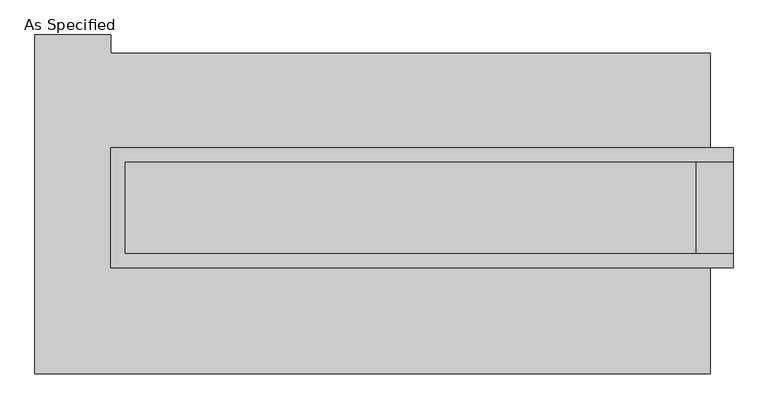
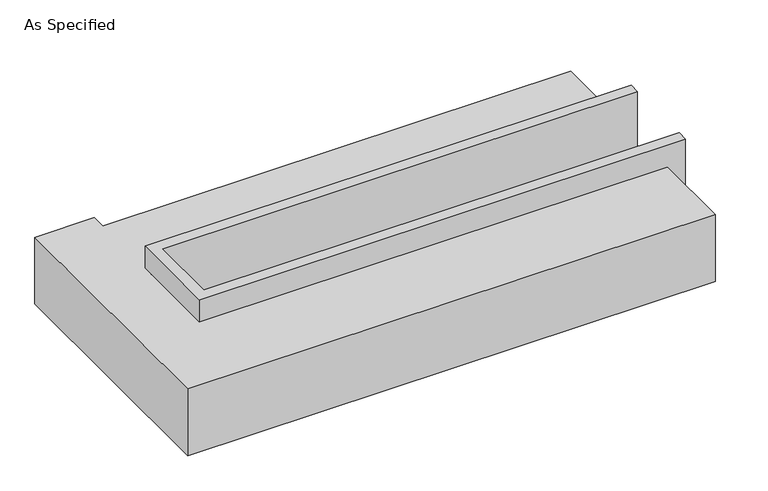
"""IFC4 building model written with IfcOpenShell, lengths in millimetres: proxy geometry, As Specified."""

import ifcopenshell
import ifcopenshell.guid

model = None  # the IFC model being written
_history = None  # IfcOwnerHistory: only IFC2X3 demands one
_inside = {}  # id of a spatial element -> (the spatial element, [elements in it])
_under = {}  # id of a project, library or spatial element -> (it, [spatial elements below it])
_declared = {}  # id of a project -> (the project, [libraries it declares])
_typed = {}  # id of a type object -> (the type object, [elements of that type])
_made_of = {}  # id of a material, layer set ... -> (it, [elements and type objects made of it])


def new_model(schema):
    """Start an empty IFC model of exactly this schema.

    Asked for "IFC4X3", IfcOpenShell would pick the latest addendum, in which some entities
    have other attributes; the version numbers below select the first issue.
    IFC2X3 requires an IfcOwnerHistory on every rooted entity: one is made here for all.
    """
    global model, _history
    if schema == "IFC4X3":
        model = ifcopenshell.file(schema_version=(4, 3, 0, 0))
    else:
        model = ifcopenshell.file(schema=schema)
    _inside.clear()
    _under.clear()
    _declared.clear()
    _typed.clear()
    _made_of.clear()
    _history = None
    if model.schema == "IFC2X3":
        org = make("IfcOrganization", Name="unknown")
        user = make(
            "IfcPersonAndOrganization",
            ThePerson=make("IfcPerson", FamilyName="unknown"),
            TheOrganization=org,
        )
        app = make(
            "IfcApplication",
            ApplicationDeveloper=org,
            Version="unknown",
            ApplicationFullName="unknown",
            ApplicationIdentifier="unknown",
        )
        _history = make(
            "IfcOwnerHistory",
            OwningUser=user,
            OwningApplication=app,
            ChangeAction="ADDED",
            CreationDate=0,
        )
    return model


def make(cls, **values):
    """One entity of the class cls with the attributes given. An attribute that is None is left unset."""
    return model.create_entity(
        cls, **{name: value for name, value in values.items() if value is not None}
    )


def rooted(cls, **values):
    """An entity with a GlobalId (a new one), such as an element, a storey or a relation."""
    return make(cls, GlobalId=ifcopenshell.guid.new(), OwnerHistory=_history, **values)


def si_unit(unit_type, name, prefix=None):
    """IfcSIUnit, for example si_unit("LENGTHUNIT", "METRE", prefix="MILLI")."""
    return make("IfcSIUnit", UnitType=unit_type, Prefix=prefix, Name=name)


def assignment(units):
    """IfcUnitAssignment: the units of a project."""
    return None if units is None else make("IfcUnitAssignment", Units=units)


def point(xyz):
    """IfcCartesianPoint."""
    return None if xyz is None else make("IfcCartesianPoint", Coordinates=xyz)


def direction(xyz):
    """IfcDirection."""
    return None if xyz is None else make("IfcDirection", DirectionRatios=xyz)


def frame(location, z_axis=None, x_axis=None):
    """IfcAxis2Placement3D, a coordinate frame: its origin and axes. An axis left out is left unset."""
    return make(
        "IfcAxis2Placement3D",
        Location=point(location),
        Axis=direction(z_axis),
        RefDirection=direction(x_axis),
    )


def origin():
    """The frame at (0, 0, 0) with its axes left unset."""
    return frame((0.0, 0.0, 0.0))


def place(relative_to, where):
    """IfcLocalPlacement: puts the frame where relative to a parent placement (None: the world)."""
    return make(
        "IfcLocalPlacement", PlacementRelTo=relative_to, RelativePlacement=where
    )


def context(
    kind, dimensions, precision=None, world=None, true_north=None, identifier=None
):
    """IfcGeometricRepresentationContext, for example the 3D "Model" context."""
    return make(
        "IfcGeometricRepresentationContext",
        ContextIdentifier=identifier,
        ContextType=kind,
        CoordinateSpaceDimension=dimensions,
        Precision=precision,
        WorldCoordinateSystem=world,
        TrueNorth=true_north,
    )


def project(units=None, contexts=None):
    """IfcProject with its units and contexts."""
    return rooted(
        "IfcProject",
        Name="project",
        RepresentationContexts=contexts,
        UnitsInContext=assignment(units),
    )


def spatial(cls, under=None, at=None, **own):
    """A site, building, storey or space (cls), placed at a placement, below another one or the project."""
    s = rooted(cls, ObjectPlacement=at, **own)
    if under is not None:
        _under.setdefault(under.id(), (under, []))[1].append(s)
    return s


def faces_of(points, faces, orient=None, outer=None):
    """IfcFace entities. A face is a list of loops; a loop is a list of indices into points, from 0.

    orient and outer hold one flag for each loop. By default every Orientation is true, the
    first loop of a face is its IfcFaceOuterBound and the others are IfcFaceBound.
    """
    made = []
    for i, loops in enumerate(faces):
        bounds = []
        for j, loop in enumerate(loops):
            is_outer = j == 0 if outer is None else outer[i][j]
            bounds.append(
                make(
                    "IfcFaceOuterBound" if is_outer else "IfcFaceBound",
                    Bound=make("IfcPolyLoop", Polygon=[points[k] for k in loop]),
                    Orientation=True if orient is None else orient[i][j],
                )
            )
        made.append(make("IfcFace", Bounds=bounds))
    return made


def faceted_brep(points, faces, orient=None, outer=None, voids=None):
    """IfcFacetedBrep: a solid bounded by flat faces; with voids (closed shells), ...WithVoids."""
    shared = [point(p) for p in points]
    hull = make("IfcClosedShell", CfsFaces=faces_of(shared, faces, orient, outer))
    if voids is None:
        return make("IfcFacetedBrep", Outer=hull)
    return make(
        "IfcFacetedBrepWithVoids",
        Outer=hull,
        Voids=[
            make(cls, CfsFaces=faces_of(shared, fs, o, b)) for cls, fs, o, b in voids
        ],
    )


def shape(context_of_items, identifier, shape_type, items):
    """IfcShapeRepresentation: the items that make up one representation, for example the "Body"."""
    return make(
        "IfcShapeRepresentation",
        ContextOfItems=context_of_items,
        RepresentationIdentifier=identifier,
        RepresentationType=shape_type,
        Items=items,
    )


def source(mapping_origin, context_of_items, identifier, shape_type, items):
    """IfcRepresentationMap: a shape defined once, which mapped items show again and again."""
    return make(
        "IfcRepresentationMap",
        MappingOrigin=mapping_origin,
        MappedRepresentation=shape(context_of_items, identifier, shape_type, items),
    )


def transform(
    local_origin,
    x_axis=None,
    y_axis=None,
    z_axis=None,
    scale=None,
    scale2=None,
    scale3=None,
    uniform=True,
):
    """IfcCartesianTransformationOperator3D, or its non-uniform kind. x_axis, y_axis, z_axis: its Axis1, 2, 3."""
    if uniform:
        return make(
            "IfcCartesianTransformationOperator3D",
            Axis1=direction(x_axis),
            Axis2=direction(y_axis),
            LocalOrigin=point(local_origin),
            Scale=scale,
            Axis3=direction(z_axis),
        )
    return make(
        "IfcCartesianTransformationOperator3DnonUniform",
        Axis1=direction(x_axis),
        Axis2=direction(y_axis),
        LocalOrigin=point(local_origin),
        Scale=scale,
        Axis3=direction(z_axis),
        Scale2=scale2,
        Scale3=scale3,
    )


def mapped(mapping_source, mapping_target):
    """IfcMappedItem: shows the shape of a source again, moved by a transform."""
    return make(
        "IfcMappedItem", MappingSource=mapping_source, MappingTarget=mapping_target
    )


def made_of(thing, what):
    """Note that an element or type object is made of a material, layer set ...; save() writes the relation."""
    if what is not None:
        _made_of.setdefault(what.id(), (what, []))[1].append(thing)
    return thing


def element(
    cls,
    number,
    at=None,
    inside=None,
    cuts=None,
    type_object=None,
    material=None,
    context=None,
    identifier="Body",
    shape_type=None,
    held_by="IfcProductDefinitionShape",
    body=None,
    shapes=None,
    **own,
):
    """One element of the class cls, such as IfcWall. Its Tag is "e" and its number.

    at: its placement. inside: the storey or other place that contains it. cuts: it is an
    opening in that element (IfcRelVoidsElement). A single representation is given by context,
    identifier, shape_type and body (its items); several are given by shapes. held_by: the class
    of the entity that holds the representations. save() writes the other relations.
    """
    e = rooted(cls, Tag="e%d" % number, ObjectPlacement=at, **own)
    if body is not None:
        shapes = [shape(context, identifier, shape_type, body)]
    if shapes is not None:
        e.Representation = make(held_by, Representations=shapes)
    if inside is not None:
        _inside.setdefault(inside.id(), (inside, []))[1].append(e)
    if cuts is not None:
        rooted(
            "IfcRelVoidsElement", RelatingBuildingElement=cuts, RelatedOpeningElement=e
        )
    if type_object is not None:
        _typed.setdefault(type_object.id(), (type_object, []))[1].append(e)
    return made_of(e, material)


def aggregate(whole, parts):
    """IfcRelAggregates: a whole, such as a stair, and the parts it consists of."""
    return rooted("IfcRelAggregates", RelatingObject=whole, RelatedObjects=parts)


def save(model, path):
    """Write the relations noted so far, then the file.

    IfcRelAggregates (storeys below a building ...), IfcRelContainedInSpatialStructure (elements
    in a storey), IfcRelDefinesByType, IfcRelAssociatesMaterial and IfcRelDeclares: one each for
    every whole, place, type object, material and project.
    """
    for whole, parts in _under.values():
        aggregate(whole, parts)
    for where, things in _inside.values():
        rooted(
            "IfcRelContainedInSpatialStructure",
            RelatedElements=things,
            RelatingStructure=where,
        )
    for kind, things in _typed.values():
        rooted("IfcRelDefinesByType", RelatedObjects=things, RelatingType=kind)
    for what, things in _made_of.values():
        rooted("IfcRelAssociatesMaterial", RelatedObjects=things, RelatingMaterial=what)
    for by, libraries in _declared.values():
        rooted("IfcRelDeclares", RelatingContext=by, RelatedDefinitions=libraries)
    model.write(path)


def as_specified_1f82f3c4(model_context):
    return source(origin(), model_context, "Body", "Brep", [
        faceted_brep([(-1568.45, 361.95, 139.7), (-1568.45, 361.95, -393.7), (-1568.45, 285.75, -393.7), (-1568.45, 285.75, -25.4), (-1568.45, -222.25, -25.4), (-1568.45, -222.25, -393.7), (-1568.45, -298.45, -393.7), (-1568.45, -298.45, 139.7), (1860.55, 285.75, 139.7), (1860.55, 285.75, -317.5), (1860.55, -222.25, -317.5), (1860.55, -222.25, 139.7), (1860.55, -298.45, 139.7), (1860.55, -298.45, -393.7), (1860.55, 361.95, -393.7), (1860.55, 361.95, 139.7), (-1492.25, -222.25, 139.7), (-1492.25, 285.75, 139.7), (1657.35, -222.25, -393.7), (1657.35, 285.75, -393.7), (1657.35, -222.25, -317.5), (-1492.25, -222.25, -25.4), (1657.35, 285.75, -317.5), (-1492.25, 285.75, -25.4)], [[[0, 1, 2, 3, 4, 5, 6, 7]], [[8, 9, 10, 11, 12, 13, 14, 15]], [[0, 7, 12, 11, 16, 17, 8, 15]], [[1, 0, 15, 14]], [[14, 13, 6, 5, 18, 19, 2, 1]], [[7, 6, 13, 12]], [[11, 10, 20, 18, 5, 4, 21, 16]], [[10, 9, 22, 20]], [[9, 8, 17, 23, 3, 2, 19, 22]], [[18, 20, 22, 19]], [[23, 21, 4, 3]], [[17, 16, 21, 23]]]),
        faceted_brep([(1733.55, -882.65, -523.9742188), (-1987.55, -882.65, -523.9742188), (-1987.55, 984.25, -523.9742188), (-1568.45, 984.25, -523.9742188), (-1568.45, 882.65, -523.9742188), (1733.55, 882.65, -523.9742188), (-1987.55, -882.65, -25.4), (1733.55, -882.65, -25.4), (1733.55, -298.45, -25.4), (-1568.45, -298.45, -25.4), (-1568.45, 361.95, -25.4), (1733.55, 361.95, -25.4), (1733.55, 882.65, -25.4), (-1568.45, 882.65, -25.4), (-1568.45, 984.25, -25.4), (-1987.55, 984.25, -25.4), (1733.55, 361.95, -393.7), (1733.55, -298.45, -393.7), (-1568.45, -298.45, -393.7), (-1568.45, 361.95, -393.7)], [[[0, 1, 2, 3, 4, 5]], [[6, 7, 8, 9, 10, 11, 12, 13, 14, 15]], [[12, 5, 4, 13]], [[2, 1, 6, 15]], [[5, 12, 11, 16, 17, 8, 7, 0]], [[1, 0, 7, 6]], [[18, 19, 10, 9]], [[10, 19, 16, 11]], [[19, 18, 17, 16]], [[18, 9, 8, 17]], [[3, 2, 15, 14]], [[4, 3, 14, 13]]]),
    ])


if __name__ == "__main__":
    model = new_model("IFC4")
    model_context = context("Model", 3, world=origin())
    ifc_project = project(units=[si_unit("LENGTHUNIT", "METRE", prefix="MILLI")], contexts=[model_context])
    site = spatial("IfcSite", under=ifc_project)
    building = spatial("IfcBuilding", under=site)
    placement = place(None, origin())
    as_specified_shape = as_specified_1f82f3c4(model_context)
    element("IfcBuildingElementProxy", 1, Name="As Specified", ObjectType="As Specified", at=placement, inside=building, context=model_context, shape_type="MappedRepresentation", body=[
        mapped(as_specified_shape, transform((0.0, 0.0, 0.0), x_axis=(1.0, 0.0, 0.0), y_axis=(0.0, 1.0, 0.0), z_axis=(0.0, 0.0, 1.0))),
    ])
    save(model, "model.ifc")
